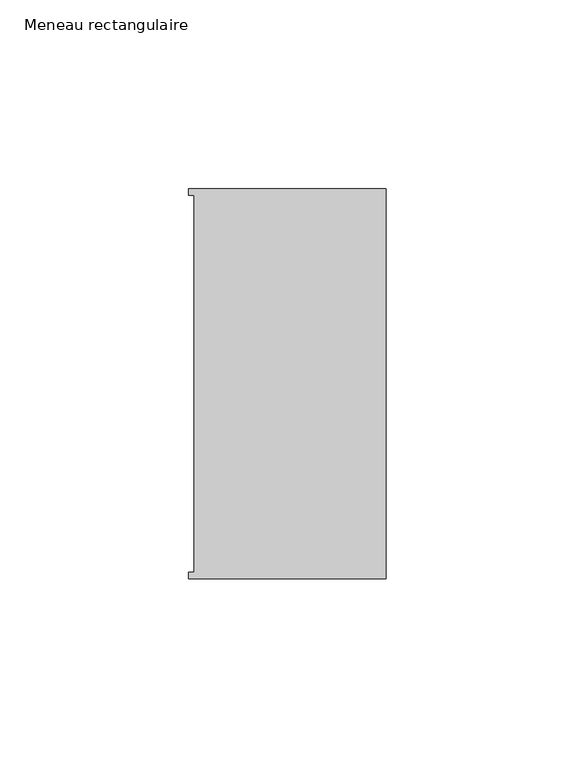
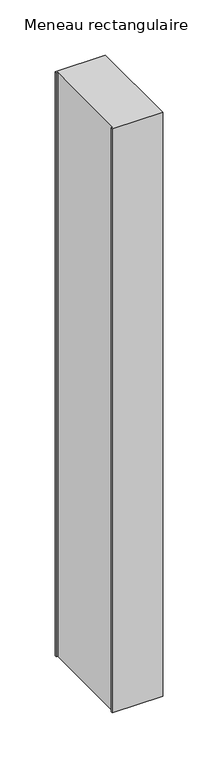
"""IFC4 building model written with IfcOpenShell, lengths in millimetres: member geometry, Meneau rectangulaire."""

from ifc_helpers import new_model, si_unit, frame, origin, place, context, project, spatial, polyline, outline, extrude, source, transform, mapped, element, save


def meneau_rectangulaire_4a3cab64(model_context):
    return source(origin(), model_context, "Body", "SweptSolid", [
        extrude(outline(polyline([(-52.3, 51.6531441), (0.0, 51.6531441), (0.0, -51.6130012), (-52.3, -51.6130012), (-52.3, -49.9174099), (-50.9, -49.9174099), (-50.9, 49.9174073), (-52.3, 49.9174073), (-52.3, 51.6531441)])), frame((0.0, 0.0, -644.4849432), z_axis=(0.0, 0.0, 1.0), x_axis=(1.0, 0.0, 0.0)), (0.0, 0.0, 1.0), 644.4849432),
    ])


if __name__ == "__main__":
    model = new_model("IFC4")
    model_context = context("Model", 3, world=origin())
    ifc_project = project(units=[si_unit("LENGTHUNIT", "METRE", prefix="MILLI")], contexts=[model_context])
    site = spatial("IfcSite", under=ifc_project)
    building = spatial("IfcBuilding", under=site)
    placement = place(None, origin())
    meneau_rectangulaire_shape = meneau_rectangulaire_4a3cab64(model_context)
    element("IfcMember", 1, ObjectType="Meneau rectangulaire", at=placement, inside=building, context=model_context, shape_type="MappedRepresentation", body=[
        mapped(meneau_rectangulaire_shape, transform((0.0, 0.0, 0.0), x_axis=(1.0, 0.0, 0.0), y_axis=(0.0, 1.0, 0.0), z_axis=(0.0, 0.0, 1.0))),
    ])
    save(model, "model.ifc")
